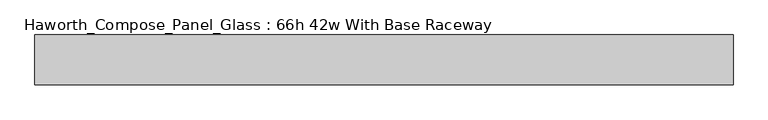
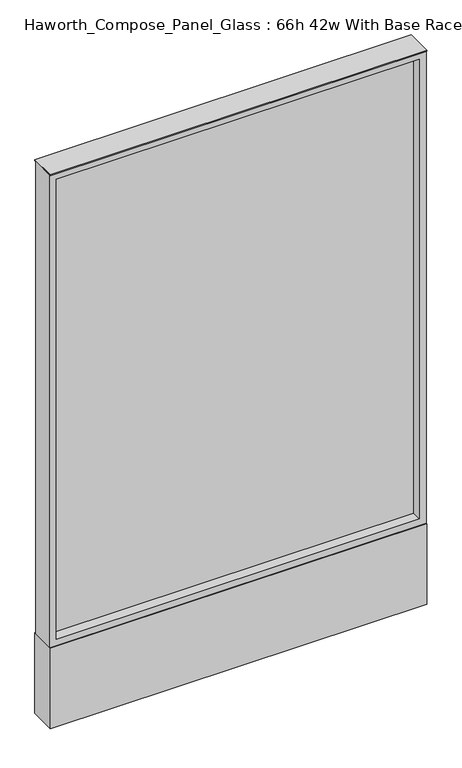
"""IFC4 building model written with IfcOpenShell, lengths in millimetres: furniture geometry, Haworth_Compose_Panel_Glass : 66h 42w With Base Raceway."""

from ifc_helpers import new_model, si_unit, point, frame, frame_2d, origin, origin_with_axes, place, context, project, spatial, polyline, circle_curve, trimmed, segment, composite_curve, outline, extrude, source, transform, mapped, element, save


def haworth_compose_panel_glass_66h_42w_with_base_raceway_5699670b(model_context):
    return source(origin(), model_context, "Body", "SweptSolid", [
        extrude(outline(composite_curve([segment(trimmed(circle_curve(frame_2d((459.6402902, 0.0)), 12.7), [point((446.9402902, 0.0))], [point((472.3402902, 0.0))], False, "CARTESIAN"), True, "CONTINUOUS"), segment(trimmed(circle_curve(frame_2d((459.6402902, 0.0)), 12.7), [point((472.3402902, 0.0))], [point((446.9402902, 0.0))], False, "CARTESIAN"), True, "CONTINUOUS")], self_intersect=False)), origin_with_axes(), (0.0, 0.0, 1.0), 12.7),
        extrude(outline(composite_curve([segment(trimmed(circle_curve(frame_2d((-454.7597098, 0.0)), 12.7), [point((-467.4597098, 0.0))], [point((-442.0597098, 0.0))], False, "CARTESIAN"), True, "CONTINUOUS"), segment(trimmed(circle_curve(frame_2d((-454.7597098, 0.0)), 12.7), [point((-442.0597098, 0.0))], [point((-467.4597098, 0.0))], False, "CARTESIAN"), True, "CONTINUOUS")], self_intersect=False)), origin_with_axes(), (0.0, 0.0, 1.0), 12.7),
        extrude(outline(polyline([(516.7902902, -6.35), (-511.9097098, -6.35), (-511.9097098, 6.35), (516.7902902, 6.35), (516.7902902, -6.35)])), frame((0.0, 0.0, 273.05), z_axis=(0.0, 0.0, 1.0), x_axis=(1.0, 0.0, 0.0)), (0.0, 0.0, 1.0), 1377.95),
        extrude(outline(polyline([(1670.05, -530.9597098), (254.0, -530.9597098), (254.0, 535.8402902), (1670.05, 535.8402902), (1670.05, -530.9597098)]), holes=[polyline([(1651.0, 516.7902902), (273.05, 516.7902902), (273.05, -511.9097098), (1651.0, -511.9097098), (1651.0, 516.7902902)])]), frame((0.0, -34.925, 0.0), z_axis=(0.0, 1.0, 0.0), x_axis=(0.0, 0.0, 1.0)), (0.0, 0.0, 1.0), 69.85),
        extrude(outline(polyline([(-530.9597098, 38.1), (535.8402902, 38.1), (535.8402902, -38.1), (-530.9597098, -38.1), (-530.9597098, 38.1)])), frame((0.0, 0.0, 12.7), z_axis=(0.0, 0.0, 1.0), x_axis=(1.0, 0.0, 0.0)), (0.0, 0.0, 1.0), 241.3),
        extrude(outline(polyline([(-530.9597098, -38.1), (-530.9597098, 38.1), (535.8402902, 38.1), (535.8402902, -38.1), (-530.9597098, -38.1)])), frame((0.0, 0.0, 1670.05), z_axis=(0.0, 0.0, 1.0), x_axis=(1.0, 0.0, 0.0)), (0.0, 0.0, 1.0), 3.175),
    ])


if __name__ == "__main__":
    model = new_model("IFC4")
    model_context = context("Model", 3, world=origin())
    ifc_project = project(units=[si_unit("LENGTHUNIT", "METRE", prefix="MILLI")], contexts=[model_context])
    site = spatial("IfcSite", under=ifc_project)
    building = spatial("IfcBuilding", under=site)
    placement = place(None, origin())
    haworth_compose_panel_glass_66h_42w_with_base_raceway_shape = haworth_compose_panel_glass_66h_42w_with_base_raceway_5699670b(model_context)
    element("IfcFurniture", 1, ObjectType="Haworth_Compose_Panel_Glass : 66h 42w With Base Raceway", at=placement, inside=building, context=model_context, shape_type="MappedRepresentation", body=[
        mapped(haworth_compose_panel_glass_66h_42w_with_base_raceway_shape, transform((0.0, 0.0, 0.0), x_axis=(1.0, 0.0, 0.0), y_axis=(0.0, 1.0, 0.0), z_axis=(0.0, 0.0, 1.0))),
    ])
    save(model, "model.ifc")
